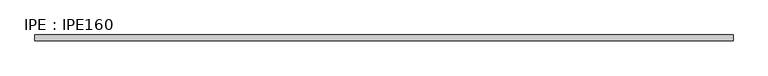
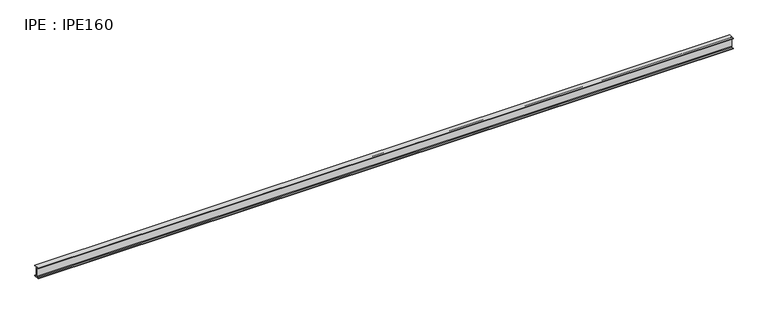
"""IFC4 building model written with IfcOpenShell, lengths in millimetres: beam geometry, IPE : IPE160."""

from ifc_helpers import new_model, si_unit, point, frame, frame_2d, origin, place, context, project, spatial, polyline, circle_curve, trimmed, segment, composite_curve, outline, extrude, source, transform, mapped, element, save


def ipe_ipe160_3d2c3189(model_context):
    return source(origin(), model_context, "Body", "SweptSolid", [
        extrude(outline(composite_curve([segment(polyline([(41.0, -72.6), (41.0, -80.0), (-41.0, -80.0), (-41.0, -72.6), (-11.5, -72.6)]), True, "CONTINUOUS"), segment(trimmed(circle_curve(frame_2d((-11.5, -63.6)), 9.0), [point((-11.5, -72.6))], [point((-2.5, -63.6))], True, "CARTESIAN"), True, "CONTINUOUS"), segment(polyline([(-2.5, -63.6), (-2.5, 63.6)]), True, "CONTINUOUS"), segment(trimmed(circle_curve(frame_2d((-11.5, 63.6)), 9.0), [point((-2.5, 63.6))], [point((-11.5, 72.6))], True, "CARTESIAN"), True, "CONTINUOUS"), segment(polyline([(-11.5, 72.6), (-41.0, 72.6), (-41.0, 80.0), (41.0, 80.0), (41.0, 72.6), (11.5, 72.6)]), True, "CONTINUOUS"), segment(trimmed(circle_curve(frame_2d((11.5, 63.6)), 9.0), [point((11.5, 72.6))], [point((2.5, 63.6))], True, "CARTESIAN"), True, "CONTINUOUS"), segment(polyline([(2.5, 63.6), (2.5, -63.6)]), True, "CONTINUOUS"), segment(trimmed(circle_curve(frame_2d((11.5, -63.6)), 9.0), [point((2.5, -63.6))], [point((11.5, -72.6))], True, "CARTESIAN"), True, "CONTINUOUS"), segment(polyline([(11.5, -72.6), (41.0, -72.6)]), True, "CONTINUOUS")], self_intersect=False)), frame((-5000.0, 0.0, 0.0), z_axis=(1.0, 0.0, 0.0), x_axis=(0.0, 1.0, 0.0)), (0.0, 0.0, 1.0), 9987.2),
    ])


if __name__ == "__main__":
    model = new_model("IFC4")
    model_context = context("Model", 3, world=origin())
    ifc_project = project(units=[si_unit("LENGTHUNIT", "METRE", prefix="MILLI")], contexts=[model_context])
    site = spatial("IfcSite", under=ifc_project)
    building = spatial("IfcBuilding", under=site)
    placement = place(None, origin())
    ipe_ipe160_shape = ipe_ipe160_3d2c3189(model_context)
    element("IfcBeam", 1, ObjectType="IPE : IPE160", at=placement, inside=building, context=model_context, shape_type="MappedRepresentation", body=[
        mapped(ipe_ipe160_shape, transform((0.0, 0.0, 0.0), x_axis=(1.0, 0.0, 0.0), y_axis=(0.0, 1.0, 0.0), z_axis=(0.0, 0.0, 1.0))),
    ])
    save(model, "model.ifc")
